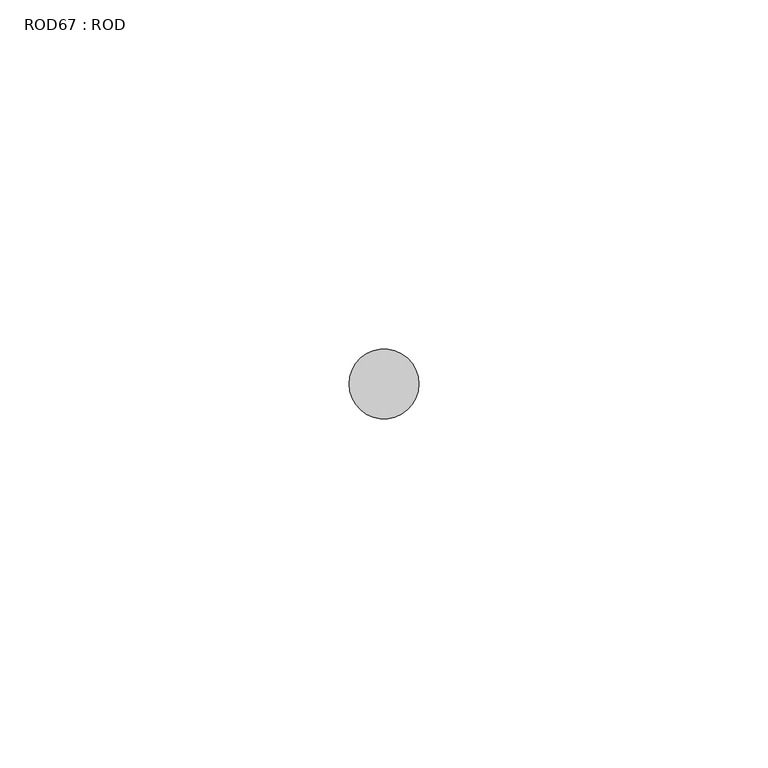
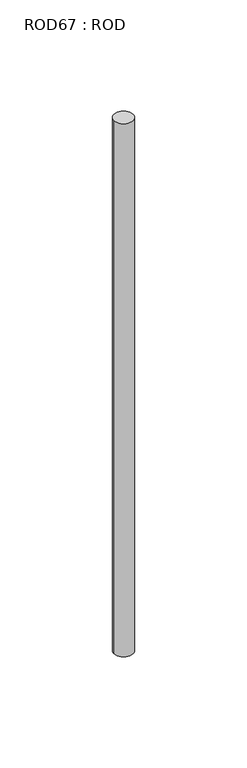
"""IFC4 building model written with IfcOpenShell, lengths in millimetres: proxy geometry, ROD67 : ROD."""

from ifc_helpers import new_model, si_unit, point, frame, frame_2d, origin, place, context, project, spatial, circle_curve, trimmed, segment, composite_curve, outline, extrude, source, transform, mapped, element, save


def rod67_rod_f2c6dc9d(model_context):
    return source(origin(), model_context, "Body", "SweptSolid", [
        extrude(outline(composite_curve([segment(trimmed(circle_curve(frame_2d((-3800.2326676, -10466.6028424)), 5.0), [point((-3805.2326676, -10466.6028424))], [point((-3795.2326676, -10466.6028424))], False, "CARTESIAN"), True, "CONTINUOUS"), segment(trimmed(circle_curve(frame_2d((-3800.2326676, -10466.6028424)), 5.0), [point((-3795.2326676, -10466.6028424))], [point((-3805.2326676, -10466.6028424))], False, "CARTESIAN"), True, "CONTINUOUS")], self_intersect=False)), frame((0.0, 0.0, -108.6608845), z_axis=(0.0, 0.0, 1.0), x_axis=(1.0, 0.0, 0.0)), (0.0, 0.0, 1.0), 298.9028972),
    ])


if __name__ == "__main__":
    model = new_model("IFC4")
    model_context = context("Model", 3, world=origin())
    ifc_project = project(units=[si_unit("LENGTHUNIT", "METRE", prefix="MILLI")], contexts=[model_context])
    site = spatial("IfcSite", under=ifc_project)
    building = spatial("IfcBuilding", under=site)
    placement = place(None, origin())
    rod67_rod_shape = rod67_rod_f2c6dc9d(model_context)
    element("IfcBuildingElementProxy", 1, Name="ROD67 : ROD", ObjectType="ROD67 : ROD", at=placement, inside=building, context=model_context, shape_type="MappedRepresentation", body=[
        mapped(rod67_rod_shape, transform((0.0, 0.0, 0.0), x_axis=(1.0, 0.0, 0.0), y_axis=(0.0, 1.0, 0.0), z_axis=(0.0, 0.0, 1.0))),
    ])
    save(model, "model.ifc")
